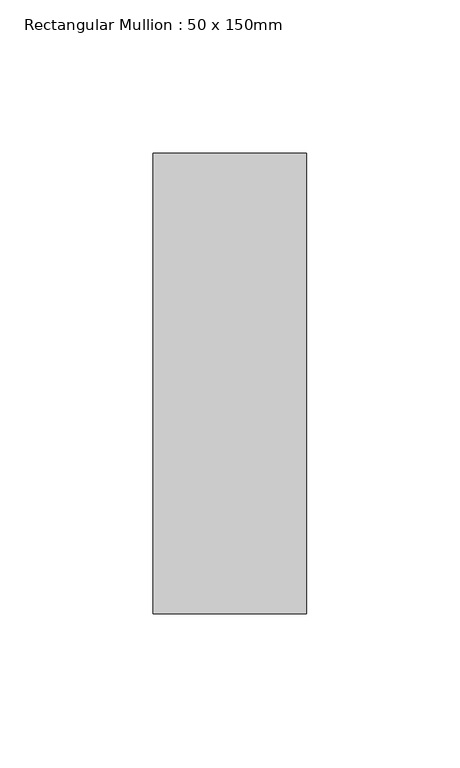
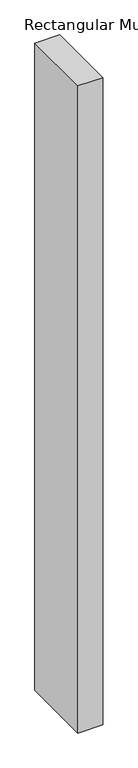
"""IFC4 building model written with IfcOpenShell, lengths in millimetres: member geometry, Rectangular Mullion : 50 x 150mm."""

from ifc_helpers import new_model, si_unit, frame, origin, place, context, project, spatial, polyline, outline, extrude, source, transform, mapped, element, save


def rectangular_mullion_50_x_150mm_03780db7(model_context):
    return source(origin(), model_context, "Body", "SweptSolid", [
        extrude(outline(polyline([(25.0, 75.0), (25.0, -75.0), (-25.0, -75.0), (-25.0, 75.0), (25.0, 75.0)])), frame((0.0, 0.0, -1378.3333333), z_axis=(0.0, 0.0, 1.0), x_axis=(1.0, 0.0, 0.0)), (0.0, 0.0, 1.0), 1378.3333333),
    ])


if __name__ == "__main__":
    model = new_model("IFC4")
    model_context = context("Model", 3, world=origin())
    ifc_project = project(units=[si_unit("LENGTHUNIT", "METRE", prefix="MILLI")], contexts=[model_context])
    site = spatial("IfcSite", under=ifc_project)
    building = spatial("IfcBuilding", under=site)
    placement = place(None, origin())
    rectangular_mullion_50_x_150mm_shape = rectangular_mullion_50_x_150mm_03780db7(model_context)
    element("IfcMember", 1, ObjectType="Rectangular Mullion : 50 x 150mm", at=placement, inside=building, context=model_context, shape_type="MappedRepresentation", body=[
        mapped(rectangular_mullion_50_x_150mm_shape, transform((0.0, 0.0, 0.0), x_axis=(1.0, 0.0, 0.0), y_axis=(0.0, 1.0, 0.0), z_axis=(0.0, 0.0, 1.0))),
    ])
    save(model, "model.ifc")
